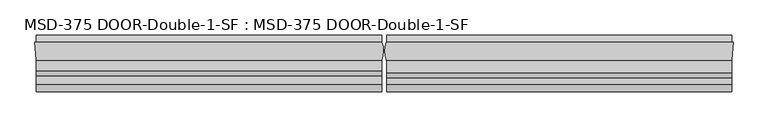
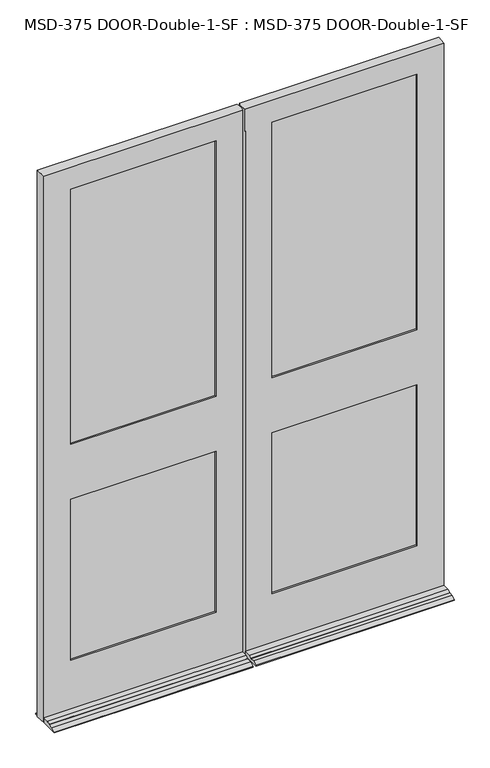
"""IFC4 building model written with IfcOpenShell, lengths in millimetres: plate geometry, MSD-375 DOOR-Double-1-SF : MSD-375 DOOR-Double-1-SF."""

from ifc_helpers import new_model, si_unit, frame, origin, place, context, project, spatial, polyline, circle_curve, outline, extrude, source, transform, mapped, element, save
from ifc_brep_helpers import plane_surface, cylinder_surface, advanced_brep


def msd_375_door_double_1_sf_msd_375_door_double_1_sf_193ced17(model_context):
    return source(origin(), model_context, "Body", "SolidModel", [
        advanced_brep(
        [(-875.0542327, -44.45, 0.0), (-877.8228327, 0.0, 0.0), (-874.8313901, 0.0, 0.0), (-874.8313901, 19.05, 0.0), (-6.1450388, 19.05, 0.0), (-6.1450388, 0.0, 0.0), (-5.5889985, 0.0, 0.0), (-6.1450388, -44.45, 0.0), (-6.1450388, -123.825, 0.0), (-874.8313901, -123.825, 0.0), (-874.8313901, -44.45, 0.0), (-6.1450388, -44.45, 21.4376), (-6.1450388, -70.3199, 21.4376), (-6.1450388, -82.7405, 14.2748), (-6.1450388, -82.7405, 12.7), (-6.1450388, -104.775, 12.7), (-6.1450388, -123.825, 3.175), (-6.1450388, 19.05, 3.175), (-6.1450388, 0.0, 12.7), (-874.8313901, 0.0, 12.7), (-874.8313901, 19.05, 3.175), (-874.8313901, -123.825, 3.175), (-874.8313901, -104.775, 12.7), (-874.8313901, -82.7405, 12.7), (-874.8313901, -82.7405, 14.2748), (-874.8313901, -70.3199, 21.4376), (-874.8313901, -44.45, 21.4376), (-122.2373508, -11.6078, 1223.1624), (-122.2373508, -37.0078, 1223.1624), (-122.2373508, -37.0078, 1008.8372), (-122.2373508, -11.6078, 1008.8372), (-122.2373508, 0.0, 988.9998), (-122.2373508, 0.0, 246.0625), (-122.2373508, -11.6078, 246.0625), (-122.2373508, -11.6078, 988.9998), (-122.2373508, -11.6078, 1242.9998), (-122.2373508, -11.6078, 2422.525), (-122.2373508, 0.0, 2422.525), (-122.2373508, 0.0, 1242.9998), (-102.3999508, -37.0078, 2442.3624), (-102.3999508, -11.6078, 2442.3624), (-102.3999508, -11.6078, 226.21875), (-102.3999508, -37.0078, 226.21875), (-122.2373508, -37.0078, 988.9998), (-122.2373508, -37.0078, 246.0625), (-122.2373508, -44.45, 246.0625), (-122.2373508, -44.45, 988.9998), (-122.2373508, -44.45, 1242.9998), (-122.2373508, -44.45, 2422.525), (-122.2373508, -37.0078, 2422.525), (-122.2373508, -37.0078, 1242.9998), (-757.1728327, -44.45, 246.0625), (-757.1728327, -37.0078, 246.0625), (-757.1728327, -37.0078, 988.9998), (-757.1728327, -44.45, 988.9998), (-757.1728327, -37.0078, 2422.525), (-757.1728327, -44.45, 2422.525), (-757.1728327, -44.45, 1242.9998), (-757.1728327, -37.0078, 1242.9998), (-777.0102327, -11.6078, 2442.3624), (-777.0102327, -37.0078, 2442.3624), (-777.0102327, -37.0078, 226.21875), (-777.0102327, -11.6078, 226.21875), (-757.1728327, -11.6078, 246.0625), (-757.1728327, 0.0, 246.0625), (-757.1728327, 0.0, 988.9998), (-757.1728327, -11.6078, 988.9998), (-757.1728327, 0.0, 2422.525), (-757.1728327, -11.6078, 2422.525), (-757.1728327, -11.6078, 1242.9998), (-757.1728327, 0.0, 1242.9998), (-757.1728327, -11.6078, 1223.1624), (-757.1728327, -37.0078, 1223.1624), (-757.1728327, -37.0078, 1008.8372), (-757.1728327, -11.6078, 1008.8372), (-5.5889985, 0.0, 2524.125), (-6.1450388, -44.45, 2524.125), (-875.0542327, -44.45, 2524.125), (-877.8228327, 0.0, 2524.125)],
        [
            (0, 1),
            (1, 2),
            (2, 3),
            (3, 4),
            (4, 5),
            (5, 6),
            (6, 7, circle_curve(frame((-61.4514685, -21.529675, 0.0), z_axis=(0.0, 0.0, -1.0), x_axis=(0.0, -1.0, 0.0)), 59.867708)),
            (7, 8),
            (8, 9),
            (9, 10),
            (10, 0),
            (11, 12),
            (12, 13),
            (13, 14),
            (14, 15),
            (15, 16),
            (16, 8),
            (7, 11),
            (4, 17),
            (17, 18),
            (18, 5),
            (19, 20),
            (20, 3),
            (2, 19),
            (9, 21),
            (21, 22),
            (22, 23),
            (23, 24),
            (24, 25),
            (25, 26),
            (26, 10),
            (27, 28),
            (28, 29),
            (29, 30),
            (30, 27),
            (31, 32),
            (32, 33),
            (33, 34),
            (34, 31),
            (35, 36),
            (36, 37),
            (37, 38),
            (38, 35),
            (39, 40),
            (40, 41),
            (41, 42),
            (42, 39),
            (43, 44),
            (44, 45),
            (45, 46),
            (46, 43),
            (47, 48),
            (48, 49),
            (49, 50),
            (50, 47),
            (51, 52),
            (52, 53),
            (53, 54),
            (54, 51),
            (55, 56),
            (56, 57),
            (57, 58),
            (58, 55),
            (59, 60),
            (60, 61),
            (61, 62),
            (62, 59),
            (63, 64),
            (64, 65),
            (65, 66),
            (66, 63),
            (67, 68),
            (68, 69),
            (69, 70),
            (70, 67),
            (63, 33),
            (32, 64),
            (61, 42),
            (41, 62),
            (51, 45),
            (44, 52),
            (11, 26),
            (25, 12),
            (24, 13),
            (23, 14),
            (22, 15),
            (21, 16),
            (20, 17),
            (19, 18),
            (38, 70),
            (69, 35),
            (27, 71),
            (71, 72),
            (72, 28),
            (50, 58),
            (57, 47),
            (46, 54),
            (53, 43),
            (29, 73),
            (73, 74),
            (74, 30),
            (34, 66),
            (65, 31),
            (75, 76, circle_curve(frame((-61.4514685, -21.529675, 2524.125), z_axis=(0.0, 0.0, -1.0), x_axis=(0.0, -1.0, 0.0)), 59.867708)),
            (76, 11),
            (6, 75),
            (77, 78),
            (78, 1),
            (0, 77),
            (78, 75),
            (37, 67),
            (36, 68),
            (40, 59),
            (74, 71),
            (39, 60),
            (49, 55),
            (72, 73),
            (48, 56),
            (76, 77),
        ],
        [
            plane_surface(frame((-882.65, -24.3078, 0.0), z_axis=(0.0, 0.0, -1.0), x_axis=(0.0, -1.0, 0.0))),
            plane_surface(frame((-6.1450388, -24.3078, 0.0), z_axis=(1.0, 0.0, 0.0), x_axis=(0.0, -1.0, 0.0))),
            plane_surface(frame((-874.8313901, -24.3078, 0.0), z_axis=(-1.0, 0.0, 0.0), x_axis=(0.0, -1.0, 0.0))),
            plane_surface(frame((-122.2373508, -24.3078, 1268.4125), z_axis=(1.0, 0.0, 0.0), x_axis=(0.0, -1.0, 0.0))),
            plane_surface(frame((-122.2373508, 0.0, 2524.125), z_axis=(-1.0, 0.0, 0.0), x_axis=(0.0, 0.0, -1.0))),
            plane_surface(frame((-102.3999508, -11.6078, 2524.125), z_axis=(-1.0, 0.0, 0.0), x_axis=(0.0, 0.0, -1.0))),
            plane_surface(frame((-122.2373508, -37.0078, 2524.125), z_axis=(-1.0, 0.0, 0.0), x_axis=(0.0, 0.0, -1.0))),
            plane_surface(frame((-757.1728327, -44.45, 2524.125), z_axis=(1.0, 0.0, 0.0), x_axis=(0.0, 0.0, -1.0))),
            plane_surface(frame((-777.0102327, -37.0078, 2524.125), z_axis=(1.0, 0.0, 0.0), x_axis=(0.0, 0.0, -1.0))),
            plane_surface(frame((-757.1728327, -11.6078, 2524.125), z_axis=(1.0, 0.0, 0.0), x_axis=(0.0, 0.0, -1.0))),
            plane_surface(frame((-6.1450388, 0.0, 246.0625), z_axis=(0.0, 0.0, 1.0), x_axis=(-1.0, 0.0, 0.0))),
            plane_surface(frame((-6.1450388, -11.6078, 226.21875), z_axis=(0.0, 0.0, 1.0), x_axis=(-1.0, 0.0, 0.0))),
            plane_surface(frame((-6.1450388, -37.0078, 246.0625), z_axis=(0.0, 0.0, 1.0), x_axis=(-1.0, 0.0, 0.0))),
            plane_surface(frame((-6.1450388, -44.45, 21.4376), z_axis=(0.0, 0.0, 1.0), x_axis=(-1.0, 0.0, 0.0))),
            plane_surface(frame((-6.1450388, -70.3199, 21.4376), z_axis=(0.0, -0.4995690841887311, 0.8662740502420885), x_axis=(-1.0, 0.0, 0.0))),
            plane_surface(frame((-6.1450388, -82.7405, 14.2748), z_axis=(0.0, -1.0, 0.0), x_axis=(-1.0, 0.0, 0.0))),
            plane_surface(frame((-6.1450388, -82.7405, 12.7), z_axis=(0.0, 0.0, 1.0), x_axis=(-1.0, 0.0, 0.0))),
            plane_surface(frame((-6.1450388, -104.775, 12.7), z_axis=(0.0, -0.44721359549996303, 0.8944271909999134), x_axis=(-1.0, 0.0, 0.0))),
            plane_surface(frame((-6.1450388, -123.825, 3.175), z_axis=(0.0, -1.0, 0.0), x_axis=(-1.0, 0.0, 0.0))),
            plane_surface(frame((-6.1450388, 19.05, 0.0), z_axis=(0.0, 1.0, 0.0), x_axis=(-1.0, 0.0, 0.0))),
            plane_surface(frame((-6.1450388, 19.05, 3.175), z_axis=(0.0, 0.4472135954998544, 0.8944271909999677), x_axis=(-1.0, 0.0, 0.0))),
            plane_surface(frame((-122.2373508, 0.0, 1242.9998), z_axis=(0.0, 0.0, 1.0), x_axis=(-1.0, 0.0, 0.0))),
            plane_surface(frame((-122.2373508, -11.6078, 1223.1624), z_axis=(0.0, 0.0, 1.0), x_axis=(-1.0, 0.0, 0.0))),
            plane_surface(frame((-122.2373508, -37.0078, 1242.9998), z_axis=(0.0, 0.0, 1.0), x_axis=(-1.0, 0.0, 0.0))),
            plane_surface(frame((-122.2373508, -44.45, 988.9998), z_axis=(0.0, 0.0, -1.0), x_axis=(-1.0, 0.0, 0.0))),
            plane_surface(frame((-122.2373508, -37.0078, 1008.8372), z_axis=(0.0, 0.0, -1.0), x_axis=(-1.0, 0.0, 0.0))),
            plane_surface(frame((-122.2373508, -11.6078, 988.9998), z_axis=(0.0, 0.0, -1.0), x_axis=(-1.0, 0.0, 0.0))),
            cylinder_surface(frame((-61.4514685, -21.529675, 2524.125), z_axis=(0.0, 0.0, 1.0), x_axis=(0.0, -1.0, 0.0)), 59.867708),
            plane_surface(frame((-877.8228327, 0.0, 2524.125), z_axis=(-0.998065870687919, -0.06216524565998525, 0.0), x_axis=(0.0, 0.0, -1.0))),
            plane_surface(frame((-875.0542327, 0.0, 2524.125), z_axis=(0.0, 1.0, 0.0), x_axis=(1.0, 0.0, 0.0))),
            plane_surface(frame((-875.0542327, 0.0, 2422.525), z_axis=(0.0, 0.0, -1.0), x_axis=(1.0, 0.0, 0.0))),
            plane_surface(frame((-875.0542327, -11.6078, 2422.525), z_axis=(0.0, -1.0, 0.0), x_axis=(1.0, 0.0, 0.0))),
            plane_surface(frame((-875.0542327, -11.6078, 2442.3624), z_axis=(0.0, 0.0, -1.0), x_axis=(1.0, 0.0, 0.0))),
            plane_surface(frame((-875.0542327, -37.0078, 2442.3624), z_axis=(0.0, 1.0, 0.0), x_axis=(1.0, 0.0, 0.0))),
            plane_surface(frame((-875.0542327, -37.0078, 2422.525), z_axis=(0.0, 0.0, -1.0), x_axis=(1.0, 0.0, 0.0))),
            plane_surface(frame((-875.0542327, -44.45, 2422.525), z_axis=(0.0, -1.0, 0.0), x_axis=(1.0, 0.0, 0.0))),
            plane_surface(frame((-875.0542327, -44.45, 2524.125), z_axis=(0.0, 0.0, 1.0), x_axis=(1.0, 0.0, 0.0))),
            plane_surface(frame((-757.1728327, -24.3078, 1268.4125), z_axis=(-1.0, 0.0, 0.0), x_axis=(0.0, -1.0, 0.0))),
        ],
        [
            (0, [[1, 2, 3, 4, 5, 6, 7, 8, 9, 10, 11]]),
            (1, [[12, 13, 14, 15, 16, 17, -8, 18]]),
            (1, [[19, 20, 21, -5]]),
            (2, [[22, 23, -3, 24]]),
            (2, [[25, 26, 27, 28, 29, 30, 31, -10]]),
            (3, [[32, 33, 34, 35]]),
            (4, [[36, 37, 38, 39]]),
            (4, [[40, 41, 42, 43]]),
            (5, [[44, 45, 46, 47]]),
            (6, [[48, 49, 50, 51]]),
            (6, [[52, 53, 54, 55]]),
            (7, [[56, 57, 58, 59]]),
            (7, [[60, 61, 62, 63]]),
            (8, [[64, 65, 66, 67]]),
            (9, [[68, 69, 70, 71]]),
            (9, [[72, 73, 74, 75]]),
            (10, [[-68, 76, -37, 77]]),
            (11, [[-66, 78, -46, 79]]),
            (12, [[-56, 80, -49, 81]]),
            (13, [[-12, 82, -30, 83]]),
            (14, [[-13, -83, -29, 84]]),
            (15, [[-14, -84, -28, 85]]),
            (16, [[-15, -85, -27, 86]]),
            (17, [[-16, -86, -26, 87]]),
            (18, [[-17, -87, -25, -9]]),
            (19, [[-19, -4, -23, 88]]),
            (20, [[-20, -88, -22, 89]]),
            (21, [[90, -74, 91, -43]]),
            (22, [[-32, 92, 93, 94]]),
            (23, [[95, -62, 96, -55]]),
            (24, [[97, -58, 98, -51]]),
            (25, [[-34, 99, 100, 101]]),
            (26, [[102, -70, 103, -39]]),
            (27, [[104, 105, -18, -7, 106]]),
            (28, [[107, 108, -1, 109]]),
            (29, [[-108, 110, -106, -6, -21, -89, -24, -2], [-90, -42, 111, -75], [-103, -69, -77, -36]]),
            (30, [[-72, -111, -41, 112]]),
            (31, [[-67, -79, -45, 113], [-92, -35, -101, 114], [-102, -38, -76, -71], [-91, -73, -112, -40]]),
            (32, [[-64, -113, -44, 115]]),
            (33, [[-65, -115, -47, -78], [-95, -54, 116, -63], [-94, 117, -99, -33], [-98, -57, -81, -48]]),
            (34, [[-60, -116, -53, 118]]),
            (35, [[-109, -11, -31, -82, -105, 119], [-97, -50, -80, -59], [-96, -61, -118, -52]]),
            (36, [[-107, -119, -104, -110]]),
            (37, [[-100, -117, -93, -114]]),
        ],
    ),
        advanced_brep(
        [(6.1450388, -44.45, 0.0), (5.5889985, 0.0, 0.0), (6.1450388, 0.0, 0.0), (6.1450388, 19.05, 0.0), (874.3187994, 19.05, 0.0), (874.3187994, 0.0, 0.0), (877.310242, 0.0, 0.0), (874.541642, -44.45, 0.0), (874.3187994, -44.45, 0.0), (874.3187994, -123.825, 0.0), (6.1450388, -123.825, 0.0), (874.3187994, -44.45, 21.4376), (874.3187994, -75.87615, 21.4376), (874.3187994, -88.29675, 14.2748), (874.3187994, -88.29675, 12.7), (874.3187994, -104.775, 12.7), (874.3187994, -123.825, 3.175), (874.3187994, 19.05, 3.175), (874.3187994, 0.0, 12.7), (6.1450388, 0.0, 12.7), (6.1450388, 19.05, 3.175), (6.1450388, -123.825, 3.175), (6.1450388, -104.775, 12.7), (6.1450388, -88.29675, 12.7), (6.1450388, -88.29675, 14.2748), (6.1450388, -75.87615, 21.4376), (6.1450388, -44.45, 21.4376), (5.5889985, -44.45, 2422.525), (5.5889985, -44.45, 2524.125), (5.5889985, -43.05935, 2524.125), (5.5889985, -43.05935, 2422.525), (122.2376492, -37.0078, 1223.1624), (122.2376492, -11.6078, 1223.1624), (122.2376492, -11.6078, 1008.8499), (122.2376492, -37.0078, 1008.8499), (122.2376492, -37.0078, 2422.525), (122.2376492, -44.45, 2422.525), (122.2376492, -44.45, 1242.9998), (122.2376492, -37.0078, 1242.9998), (122.2376492, -37.0078, 988.9998), (122.2376492, -44.45, 988.9998), (122.2376492, -44.45, 246.0625), (122.2376492, -37.0078, 246.0625), (102.4002492, -11.6078, 226.21875), (102.4002492, -11.6078, 2442.3624), (102.4002492, -37.0078, 2442.3624), (102.4002492, -37.0078, 226.21875), (122.2376492, 0.0, 2422.525), (122.2376492, -11.6078, 2422.525), (122.2376492, -11.6078, 1242.9998), (122.2376492, 0.0, 1242.9998), (122.2376492, 0.0, 988.9998), (122.2376492, -11.6078, 988.9998), (122.2376492, -11.6078, 246.0625), (122.2376492, 0.0, 246.0625), (756.660242, -11.6078, 2422.525), (756.660242, 0.0, 2422.525), (756.660242, 0.0, 1242.9998), (756.660242, -11.6078, 1242.9998), (756.660242, -11.6078, 988.9998), (756.660242, 0.0, 988.9998), (756.660242, 0.0, 246.0625), (756.660242, -11.6078, 246.0625), (776.497642, -11.6078, 2442.3624), (776.497642, -11.6078, 226.21875), (756.660242, -11.6078, 1008.8499), (756.660242, -11.6078, 1223.1624), (776.497642, -37.0078, 226.21875), (776.497642, -37.0078, 2442.3624), (756.660242, -37.0078, 246.0625), (756.660242, -37.0078, 988.9998), (756.660242, -37.0078, 2422.525), (756.660242, -37.0078, 1242.9998), (756.660242, -37.0078, 1008.8499), (756.660242, -37.0078, 1223.1624), (756.660242, -44.45, 2422.525), (756.660242, -44.45, 1242.9998), (756.660242, -44.45, 988.9998), (756.660242, -44.45, 246.0625), (6.1450388, -44.45, 2422.525), (874.541642, -44.45, 2524.125), (877.310242, 0.0, 2524.125), (5.5889985, 0.0, 2524.125)],
        [
            (0, 1, circle_curve(frame((61.4514685, -21.529675, 0.0), z_axis=(0.0, 0.0, -1.0), x_axis=(0.0, -1.0, 0.0)), 59.867708)),
            (1, 2),
            (2, 3),
            (3, 4),
            (4, 5),
            (5, 6),
            (6, 7),
            (7, 8),
            (8, 9),
            (9, 10),
            (10, 0),
            (11, 12),
            (12, 13),
            (13, 14),
            (14, 15),
            (15, 16),
            (16, 9),
            (8, 11),
            (4, 17),
            (17, 18),
            (18, 5),
            (19, 20),
            (20, 3),
            (2, 19),
            (10, 21),
            (21, 22),
            (22, 23),
            (23, 24),
            (24, 25),
            (25, 26),
            (26, 0),
            (27, 28),
            (28, 29),
            (29, 30),
            (30, 27),
            (31, 32),
            (32, 33),
            (33, 34),
            (34, 31),
            (35, 36),
            (36, 37),
            (37, 38),
            (38, 35),
            (39, 40),
            (40, 41),
            (41, 42),
            (42, 39),
            (43, 44),
            (44, 45),
            (45, 46),
            (46, 43),
            (47, 48),
            (48, 49),
            (49, 50),
            (50, 47),
            (51, 52),
            (52, 53),
            (53, 54),
            (54, 51),
            (55, 56),
            (56, 57),
            (57, 58),
            (58, 55),
            (59, 60),
            (60, 61),
            (61, 62),
            (62, 59),
            (63, 44),
            (43, 64),
            (64, 63),
            (62, 53),
            (52, 59),
            (48, 55),
            (58, 49),
            (65, 33),
            (32, 66),
            (66, 65),
            (67, 68),
            (68, 63),
            (64, 67),
            (45, 68),
            (67, 46),
            (42, 69),
            (69, 70),
            (70, 39),
            (71, 35),
            (38, 72),
            (72, 71),
            (34, 73),
            (73, 74),
            (74, 31),
            (75, 71),
            (72, 76),
            (76, 75),
            (77, 70),
            (69, 78),
            (78, 77),
            (27, 79),
            (79, 26),
            (26, 11),
            (7, 80),
            (80, 28),
            (78, 41),
            (40, 77),
            (36, 75),
            (76, 37),
            (81, 80),
            (6, 81),
            (18, 19),
            (1, 82),
            (82, 81),
            (54, 61),
            (60, 51),
            (56, 47),
            (50, 57),
            (30, 79, circle_curve(frame((61.4514685, -21.529675, 2422.525), z_axis=(0.0, 0.0, 1.0), x_axis=(0.0, -1.0, 0.0)), 59.867708)),
            (25, 12),
            (65, 73),
            (74, 66),
            (29, 82, circle_curve(frame((61.4514685, -21.529675, 2524.125), z_axis=(0.0, 0.0, -1.0), x_axis=(0.0, -1.0, 0.0)), 59.867708)),
            (24, 13),
            (23, 14),
            (22, 15),
            (21, 16),
            (20, 17),
        ],
        [
            plane_surface(frame((-882.65, -24.3078, 0.0), z_axis=(0.0, 0.0, -1.0), x_axis=(0.0, -1.0, 0.0))),
            plane_surface(frame((874.3187994, -24.3078, 0.0), z_axis=(1.0, 0.0, 0.0), x_axis=(0.0, -1.0, 0.0))),
            plane_surface(frame((6.1450388, -24.3078, 0.0), z_axis=(-1.0, 0.0, 0.0), x_axis=(0.0, -1.0, 0.0))),
            plane_surface(frame((5.5889985, -24.3078, 2536.825), z_axis=(-1.0, 0.0, 0.0), x_axis=(0.0, -1.0, 0.0))),
            plane_surface(frame((122.2376492, -24.3078, 1268.4125), z_axis=(-1.0, 0.0, 0.0), x_axis=(0.0, -1.0, 0.0))),
            plane_surface(frame((122.2376492, -44.45, 2524.125), z_axis=(1.0, 0.0, 0.0), x_axis=(0.0, 0.0, -1.0))),
            plane_surface(frame((102.4002492, -37.0078, 2524.125), z_axis=(1.0, 0.0, 0.0), x_axis=(0.0, 0.0, -1.0))),
            plane_surface(frame((122.2376492, -11.6078, 2524.125), z_axis=(1.0, 0.0, 0.0), x_axis=(0.0, 0.0, -1.0))),
            plane_surface(frame((756.660242, 0.0, 2524.125), z_axis=(-1.0, 0.0, 0.0), x_axis=(0.0, 0.0, -1.0))),
            plane_surface(frame((756.660242, -11.6078, 2524.125), z_axis=(0.0, -1.0, 0.0), x_axis=(0.0, 0.0, -1.0))),
            plane_surface(frame((776.497642, -11.6078, 2524.125), z_axis=(-1.0, 0.0, 0.0), x_axis=(0.0, 0.0, -1.0))),
            plane_surface(frame((776.497642, -37.0078, 2524.125), z_axis=(0.0, 1.0, 0.0), x_axis=(0.0, 0.0, -1.0))),
            plane_surface(frame((756.660242, -37.0078, 2524.125), z_axis=(-1.0, 0.0, 0.0), x_axis=(0.0, 0.0, -1.0))),
            plane_surface(frame((756.660242, -44.45, 2524.125), z_axis=(0.0, -1.0, 0.0), x_axis=(0.0, 0.0, -1.0))),
            plane_surface(frame((874.541642, -44.45, 2524.125), z_axis=(0.9980658706879184, -0.062165245659993755, 0.0), x_axis=(0.0, 0.0, -1.0))),
            plane_surface(frame((877.310242, 0.0, 2524.125), z_axis=(0.0, 1.0, 0.0), x_axis=(0.0, 0.0, -1.0))),
            plane_surface(frame((5.5889985, 0.0, 2422.525), z_axis=(0.0, 0.0, -1.0), x_axis=(1.0, 0.0, 0.0))),
            plane_surface(frame((5.5889985, -11.6078, 2442.3624), z_axis=(0.0, 0.0, -1.0), x_axis=(1.0, 0.0, 0.0))),
            plane_surface(frame((5.5889985, -37.0078, 2422.525), z_axis=(0.0, 0.0, -1.0), x_axis=(1.0, 0.0, 0.0))),
            plane_surface(frame((874.3187994, 0.0, 246.0625), z_axis=(0.0, 0.0, 1.0), x_axis=(-1.0, 0.0, 0.0))),
            plane_surface(frame((874.3187994, -11.6078, 226.21875), z_axis=(0.0, 0.0, 1.0), x_axis=(-1.0, 0.0, 0.0))),
            plane_surface(frame((874.3187994, -37.0078, 246.0625), z_axis=(0.0, 0.0, 1.0), x_axis=(-1.0, 0.0, 0.0))),
            plane_surface(frame((874.3187994, -44.45, 21.4376), z_axis=(0.0, 0.0, 1.0), x_axis=(-1.0, 0.0, 0.0))),
            plane_surface(frame((756.660242, -44.45, 988.9998), z_axis=(0.0, 0.0, -1.0), x_axis=(-1.0, 0.0, 0.0))),
            plane_surface(frame((756.660242, -37.0078, 1008.8499), z_axis=(0.0, 0.0, -1.0), x_axis=(-1.0, 0.0, 0.0))),
            plane_surface(frame((756.660242, -11.6078, 988.9998), z_axis=(0.0, 0.0, -1.0), x_axis=(-1.0, 0.0, 0.0))),
            plane_surface(frame((756.660242, 0.0, 1242.9998), z_axis=(0.0, 0.0, 1.0), x_axis=(-1.0, 0.0, 0.0))),
            plane_surface(frame((756.660242, -11.6078, 1223.1624), z_axis=(0.0, 0.0, 1.0), x_axis=(-1.0, 0.0, 0.0))),
            plane_surface(frame((756.660242, -37.0078, 1242.9998), z_axis=(0.0, 0.0, 1.0), x_axis=(-1.0, 0.0, 0.0))),
            cylinder_surface(frame((61.4514685, -21.529675, 2524.125), z_axis=(0.0, 0.0, 1.0), x_axis=(0.0, -1.0, 0.0)), 59.867708),
            plane_surface(frame((-875.0542327, -44.45, 2524.125), z_axis=(0.0, 0.0, 1.0), x_axis=(1.0, 0.0, 0.0))),
            plane_surface(frame((874.3187994, -75.87615, 21.4376), z_axis=(0.0, -0.49956908418867657, 0.86627405024212), x_axis=(-1.0, 0.0, 0.0))),
            plane_surface(frame((874.3187994, -88.29675, 14.2748), z_axis=(0.0, -1.0, 0.0), x_axis=(-1.0, 0.0, 0.0))),
            plane_surface(frame((874.3187994, -88.29675, 12.7), z_axis=(0.0, 0.0, 1.0), x_axis=(-1.0, 0.0, 0.0))),
            plane_surface(frame((874.3187994, -104.775, 12.7), z_axis=(0.0, -0.44721359549996875, 0.8944271909999105), x_axis=(-1.0, 0.0, 0.0))),
            plane_surface(frame((874.3187994, -123.825, 3.175), z_axis=(0.0, -1.0, 0.0), x_axis=(-1.0, 0.0, 0.0))),
            plane_surface(frame((874.3187994, 19.05, 0.0), z_axis=(0.0, 1.0, 0.0), x_axis=(-1.0, 0.0, 0.0))),
            plane_surface(frame((874.3187994, 19.05, 3.175), z_axis=(0.0, 0.44721359549990647, 0.8944271909999417), x_axis=(-1.0, 0.0, 0.0))),
            plane_surface(frame((756.660242, -24.3078, 1268.4125), z_axis=(1.0, 0.0, 0.0), x_axis=(0.0, -1.0, 0.0))),
        ],
        [
            (0, [[1, 2, 3, 4, 5, 6, 7, 8, 9, 10, 11]]),
            (1, [[12, 13, 14, 15, 16, 17, -9, 18]]),
            (1, [[19, 20, 21, -5]]),
            (2, [[22, 23, -3, 24]]),
            (2, [[25, 26, 27, 28, 29, 30, 31, -11]]),
            (3, [[32, 33, 34, 35]]),
            (4, [[36, 37, 38, 39]]),
            (5, [[40, 41, 42, 43]]),
            (5, [[44, 45, 46, 47]]),
            (6, [[48, 49, 50, 51]]),
            (7, [[52, 53, 54, 55]]),
            (7, [[56, 57, 58, 59]]),
            (8, [[60, 61, 62, 63]]),
            (8, [[64, 65, 66, 67]]),
            (9, [[68, -48, 69, 70], [-67, 71, -57, 72], [73, -63, 74, -53], [75, -37, 76, 77]]),
            (10, [[78, 79, -70, 80]]),
            (11, [[81, -78, 82, -50], [-47, 83, 84, 85], [86, -43, 87, 88], [89, 90, 91, -39]]),
            (12, [[92, -88, 93, 94]]),
            (12, [[95, -84, 96, 97]]),
            (13, [[-32, 98, 99, 100, -18, -8, 101, 102], [-97, 103, -45, 104], [105, -94, 106, -41]]),
            (14, [[107, -101, -7, 108]]),
            (15, [[-108, -6, -21, 109, -24, -2, 110, 111], [-59, 112, -65, 113], [114, -55, 115, -61]]),
            (16, [[-73, -52, -114, -60]]),
            (17, [[-79, -81, -49, -68]]),
            (18, [[-98, -35, 116]]),
            (18, [[-105, -40, -86, -92]]),
            (19, [[-112, -58, -71, -66]]),
            (20, [[-82, -80, -69, -51]]),
            (21, [[-83, -46, -103, -96]]),
            (22, [[-12, -100, -30, 117]]),
            (23, [[-104, -44, -85, -95]]),
            (24, [[118, -89, -38, -75]]),
            (25, [[-72, -56, -113, -64]]),
            (26, [[-115, -54, -74, -62]]),
            (27, [[119, -76, -36, -91]]),
            (28, [[-106, -93, -87, -42]]),
            (29, [[-1, -31, -99, -116, -34, 120, -110]]),
            (30, [[-107, -111, -120, -33, -102]]),
            (31, [[-13, -117, -29, 121]]),
            (32, [[-14, -121, -28, 122]]),
            (33, [[-15, -122, -27, 123]]),
            (34, [[-16, -123, -26, 124]]),
            (35, [[-17, -124, -25, -10]]),
            (36, [[-19, -4, -23, 125]]),
            (37, [[-109, -20, -125, -22]]),
            (38, [[-118, -77, -119, -90]]),
        ],
    ),
        extrude(outline(polyline([(-777.0102327, -11.6078), (-102.3999508, -11.6078), (-102.3999508, -16.6878), (-777.0102327, -16.6878), (-777.0102327, -11.6078)])), frame((0.0, 0.0, 1223.1624), z_axis=(0.0, 0.0, 1.0), x_axis=(1.0, 0.0, 0.0)), (0.0, 0.0, 1.0), 1219.2),
        extrude(outline(polyline([(-102.4001, -26.0858), (-102.4001, -31.1658), (-777.0102327, -31.1658), (-777.0102327, -26.0858), (-102.4001, -26.0858)])), frame((0.0, 0.0, 1223.1624), z_axis=(0.0, 0.0, 1.0), x_axis=(1.0, 0.0, 0.0)), (0.0, 0.0, 1.0), 1219.2),
        extrude(outline(polyline([(-102.4001, -31.9278), (-102.4001, -37.0078), (-777.0102327, -37.0078), (-777.0102327, -31.9278), (-102.4001, -31.9278)])), frame((0.0, 0.0, 1223.1624), z_axis=(0.0, 0.0, 1.0), x_axis=(1.0, 0.0, 0.0)), (0.0, 0.0, 1.0), 1219.2),
        extrude(outline(polyline([(-777.0102327, -11.6078), (-102.4001, -11.6078), (-102.4001, -16.6878), (-777.0102327, -16.6878), (-777.0102327, -11.6078)])), frame((0.0, 0.0, 226.21875), z_axis=(0.0, 0.0, 1.0), x_axis=(1.0, 0.0, 0.0)), (0.0, 0.0, 1.0), 782.63115),
        extrude(outline(polyline([(-102.4001, -26.0858), (-102.4001, -31.1658), (-777.0102327, -31.1658), (-777.0102327, -26.0858), (-102.4001, -26.0858)])), frame((0.0, 0.0, 226.21875), z_axis=(0.0, 0.0, 1.0), x_axis=(1.0, 0.0, 0.0)), (0.0, 0.0, 1.0), 782.63115),
        extrude(outline(polyline([(-777.0102327, -31.9278), (-102.4001, -31.9278), (-102.4001, -37.0078), (-777.0102327, -37.0078), (-777.0102327, -31.9278)])), frame((0.0, 0.0, 226.21875), z_axis=(0.0, 0.0, 1.0), x_axis=(1.0, 0.0, 0.0)), (0.0, 0.0, 1.0), 782.63115),
        extrude(outline(polyline([(776.497642, -11.6078), (776.497642, -16.6878), (102.4002492, -16.6878), (102.4002492, -11.6078), (776.497642, -11.6078)])), frame((0.0, 0.0, 1223.1624), z_axis=(0.0, 0.0, 1.0), x_axis=(1.0, 0.0, 0.0)), (0.0, 0.0, 1.0), 1219.2),
        extrude(outline(polyline([(102.4002492, -26.0858), (776.497642, -26.0858), (776.497642, -31.1658), (102.4002492, -31.1658), (102.4002492, -26.0858)])), frame((0.0, 0.0, 1223.1624), z_axis=(0.0, 0.0, 1.0), x_axis=(1.0, 0.0, 0.0)), (0.0, 0.0, 1.0), 1219.2),
        extrude(outline(polyline([(776.497642, -31.9278), (776.497642, -37.0078), (102.4002492, -37.0078), (102.4002492, -31.9278), (776.497642, -31.9278)])), frame((0.0, 0.0, 1223.1624), z_axis=(0.0, 0.0, 1.0), x_axis=(1.0, 0.0, 0.0)), (0.0, 0.0, 1.0), 1219.2),
        extrude(outline(polyline([(102.4002492, -11.6078), (776.497642, -11.6078), (776.497642, -16.6878), (102.4002492, -16.6878), (102.4002492, -11.6078)])), frame((0.0, 0.0, 226.21875), z_axis=(0.0, 0.0, 1.0), x_axis=(1.0, 0.0, 0.0)), (0.0, 0.0, 1.0), 782.63115),
        extrude(outline(polyline([(776.497642, -26.0858), (776.497642, -31.1658), (102.4002492, -31.1658), (102.4002492, -26.0858), (776.497642, -26.0858)])), frame((0.0, 0.0, 226.21875), z_axis=(0.0, 0.0, 1.0), x_axis=(1.0, 0.0, 0.0)), (0.0, 0.0, 1.0), 782.63115),
        extrude(outline(polyline([(102.4002492, -31.9278), (776.497642, -31.9278), (776.497642, -37.0078), (102.4002492, -37.0078), (102.4002492, -31.9278)])), frame((0.0, 0.0, 226.21875), z_axis=(0.0, 0.0, 1.0), x_axis=(1.0, 0.0, 0.0)), (0.0, 0.0, 1.0), 782.63115),
    ])


if __name__ == "__main__":
    model = new_model("IFC4")
    model_context = context("Model", 3, world=origin())
    ifc_project = project(units=[si_unit("LENGTHUNIT", "METRE", prefix="MILLI")], contexts=[model_context])
    site = spatial("IfcSite", under=ifc_project)
    building = spatial("IfcBuilding", under=site)
    placement = place(None, origin())
    msd_375_door_double_1_sf_msd_375_door_double_1_sf_shape = msd_375_door_double_1_sf_msd_375_door_double_1_sf_193ced17(model_context)
    element("IfcPlate", 1, ObjectType="MSD-375 DOOR-Double-1-SF : MSD-375 DOOR-Double-1-SF", at=placement, inside=building, context=model_context, shape_type="MappedRepresentation", body=[
        mapped(msd_375_door_double_1_sf_msd_375_door_double_1_sf_shape, transform((0.0, 0.0, 0.0), x_axis=(1.0, 0.0, 0.0), y_axis=(0.0, 1.0, 0.0), z_axis=(0.0, 0.0, 1.0))),
    ])
    save(model, "model.ifc")
